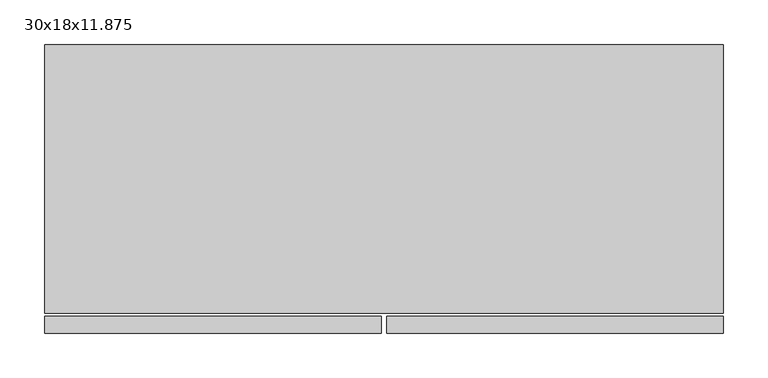
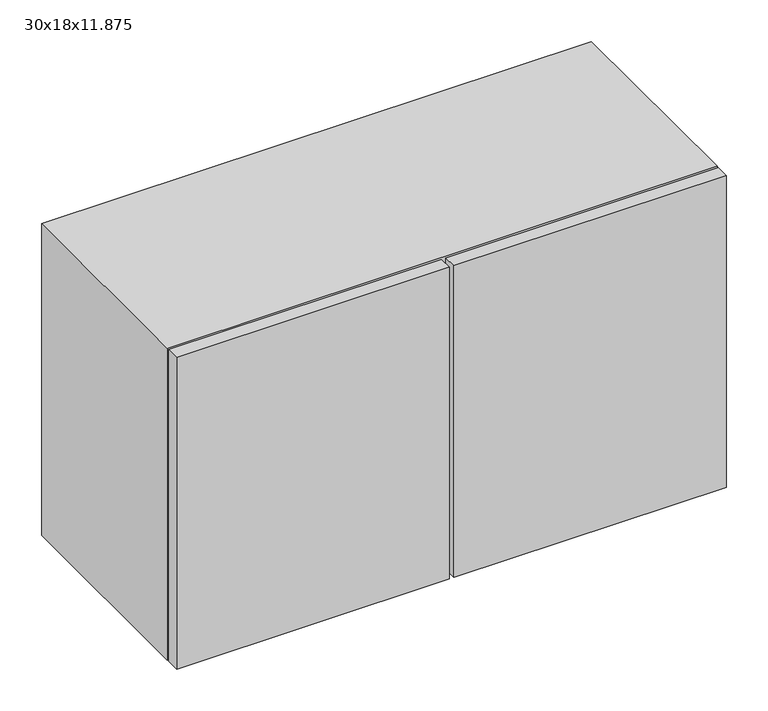
"""IFC4 building model written with IfcOpenShell, lengths in millimetres: furniture geometry, 30x18x11.875."""

from ifc_helpers import new_model, si_unit, frame, origin, place, context, project, spatial, polyline, outline, extrude, faceted_brep, source, transform, mapped, element, save


def furniture_30x18x11_875_f8fd196e(model_context):
    return source(origin(), model_context, "Body", "SolidModel", [
        extrude(outline(polyline([(-332.1788372, -101.6), (-332.1788372, -82.55), (391.7211628, -82.55), (391.7211628, -101.6), (-332.1788372, -101.6)])), frame((0.0, 0.0, 1695.45), z_axis=(0.0, 0.0, 1.0), x_axis=(1.0, 0.0, 0.0)), (0.0, 0.0, 1.0), 136.525),
        extrude(outline(polyline([(-332.1788372, -101.6), (-332.1788372, -82.55), (391.7211628, -82.55), (391.7211628, -101.6), (-332.1788372, -101.6)])), frame((0.0, 0.0, 1978.025), z_axis=(0.0, 0.0, 1.0), x_axis=(1.0, 0.0, 0.0)), (0.0, 0.0, 1.0), 136.525),
        faceted_brep([(-351.2288372, -82.55, 2133.6), (410.7711628, -82.55, 2133.6), (410.7711628, -82.55, 1676.4), (-351.2288372, -82.55, 1676.4), (-332.1788372, -82.55, 2114.55), (-332.1788372, -82.55, 1695.45), (391.7211628, -82.55, 1695.45), (391.7211628, -82.55, 2114.55), (-351.2288372, -384.175, 1676.4), (-351.2288372, -384.175, 2133.6), (410.7711628, -384.175, 1676.4), (410.7711628, -384.175, 2133.6), (391.7211628, -101.6, 1695.45), (391.7211628, -101.6, 2114.55), (391.7211628, -384.175, 2114.55), (391.7211628, -107.95, 2114.55), (391.7211628, -107.95, 1695.45), (391.7211628, -384.175, 1695.45), (-332.1788372, -107.95, 1695.45), (-332.1788372, -384.175, 1695.45), (-332.1788372, -101.6, 1695.45), (-332.1788372, -107.95, 2114.55), (-332.1788372, -384.175, 2114.55), (-332.1788372, -101.6, 2114.55)], [[[0, 1, 2, 3], [4, 5, 6, 7]], [[3, 8, 9, 0]], [[2, 10, 8, 3]], [[1, 11, 10, 2]], [[6, 12, 13, 7]], [[14, 15, 16, 17]], [[17, 16, 18, 19]], [[5, 20, 12, 6]], [[19, 18, 21, 22]], [[4, 23, 20, 5]], [[9, 8, 10, 11], [22, 14, 17, 19]], [[13, 12, 20, 23]], [[21, 18, 16, 15]], [[0, 9, 11, 1]], [[7, 13, 23, 4]], [[22, 21, 15, 14]]]),
        extrude(outline(polyline([(32.9461628, -406.4), (32.9461628, -387.35), (410.7711628, -387.35), (410.7711628, -406.4), (32.9461628, -406.4)])), frame((0.0, 0.0, 1676.4), z_axis=(0.0, 0.0, 1.0), x_axis=(1.0, 0.0, 0.0)), (0.0, 0.0, 1.0), 457.2),
        extrude(outline(polyline([(-351.2288372, -406.4), (-351.2288372, -387.35), (26.5961628, -387.35), (26.5961628, -406.4), (-351.2288372, -406.4)])), frame((0.0, 0.0, 1676.4), z_axis=(0.0, 0.0, 1.0), x_axis=(1.0, 0.0, 0.0)), (0.0, 0.0, 1.0), 457.2),
        extrude(outline(polyline([(391.7211628, -107.95), (391.7211628, -384.175), (-332.1788372, -384.175), (-332.1788372, -107.95), (391.7211628, -107.95)])), frame((0.0, 0.0, 1895.475), z_axis=(0.0, 0.0, 1.0), x_axis=(1.0, 0.0, 0.0)), (0.0, 0.0, 1.0), 19.05),
    ])


if __name__ == "__main__":
    model = new_model("IFC4")
    model_context = context("Model", 3, world=origin())
    ifc_project = project(units=[si_unit("LENGTHUNIT", "METRE", prefix="MILLI")], contexts=[model_context])
    site = spatial("IfcSite", under=ifc_project)
    building = spatial("IfcBuilding", under=site)
    placement = place(None, origin())
    furniture_30x18x11_875_shape = furniture_30x18x11_875_f8fd196e(model_context)
    element("IfcFurniture", 1, ObjectType="30x18x11.875", at=placement, inside=building, context=model_context, shape_type="MappedRepresentation", body=[
        mapped(furniture_30x18x11_875_shape, transform((0.0, 0.0, 0.0), x_axis=(1.0, 0.0, 0.0), y_axis=(0.0, 1.0, 0.0), z_axis=(0.0, 0.0, 1.0))),
    ])
    save(model, "model.ifc")
